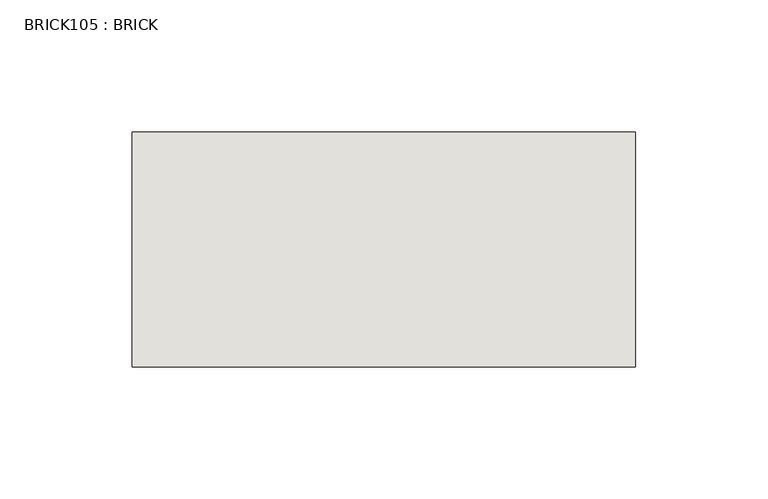
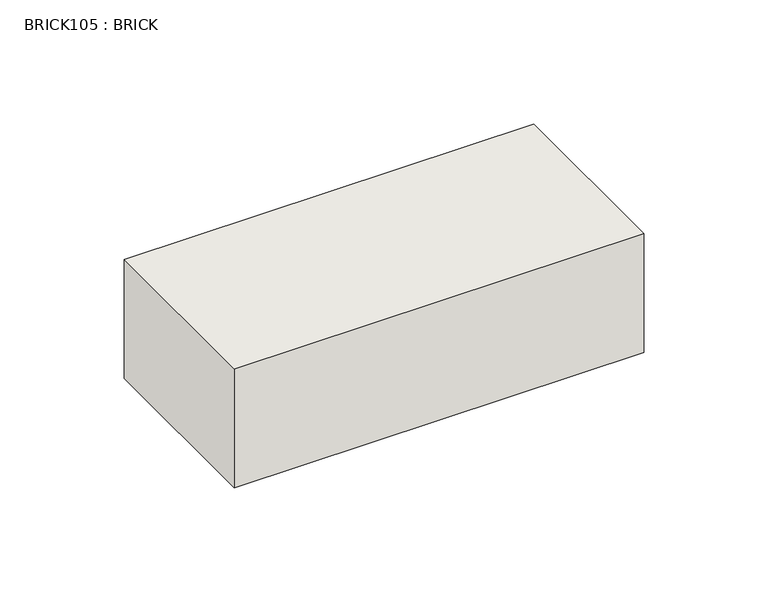
"""IFC4 building model written with IfcOpenShell, lengths in millimetres: wall geometry, BRICK105 : BRICK."""

from ifc_helpers import new_model, si_unit, frame, origin, place, context, project, spatial, polyline, outline, extrude, source, transform, mapped, element, save


def brick105_brick_001ef513(model_context):
    return source(origin(), model_context, "Body", "SweptSolid", [
        extrude(outline(polyline([(1038.0530711, 2586.2274125), (1228.5530711, 2586.2274125), (1228.5530711, 2497.3274125), (1038.0530711, 2497.3274125), (1038.0530711, 2586.2274125)])), frame((0.0, 0.0, 493.4148438), z_axis=(0.0, 0.0, 1.0), x_axis=(1.0, 0.0, 0.0)), (0.0, 0.0, 1.0), 58.4398437),
    ])


if __name__ == "__main__":
    model = new_model("IFC4")
    model_context = context("Model", 3, world=origin())
    ifc_project = project(units=[si_unit("LENGTHUNIT", "METRE", prefix="MILLI")], contexts=[model_context])
    site = spatial("IfcSite", under=ifc_project)
    building = spatial("IfcBuilding", under=site)
    placement = place(None, origin())
    brick105_brick_shape = brick105_brick_001ef513(model_context)
    element("IfcWall", 1, ObjectType="BRICK105 : BRICK", at=placement, inside=building, context=model_context, shape_type="MappedRepresentation", body=[
        mapped(brick105_brick_shape, transform((0.0, 0.0, 0.0), x_axis=(1.0, 0.0, 0.0), y_axis=(0.0, 1.0, 0.0), z_axis=(0.0, 0.0, 1.0))),
    ])
    save(model, "model.ifc")
